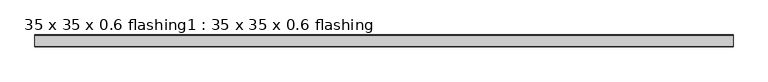
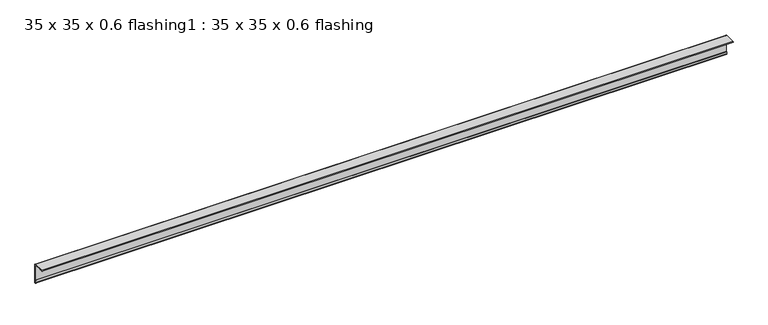
"""IFC4 building model written with IfcOpenShell, lengths in millimetres: proxy geometry, 35 x 35 x 0.6 flashing1 : 35 x 35 x 0.6 flashing."""

from ifc_helpers import new_model, si_unit, point, frame, frame_2d, origin, place, context, project, spatial, polyline, circle_curve, trimmed, segment, composite_curve, outline, extrude, source, transform, mapped, element, save


def proxy_35_x_35_x_0_6_flashing1_35_x_35_x_0_6_flashing_80ddf561(model_context):
    return source(origin(), model_context, "Body", "SweptSolid", [
        extrude(outline(composite_curve([segment(polyline([(919.6461443, 1503.3887038), (957.1461443, 1503.3887038)]), True, "CONTINUOUS"), segment(trimmed(circle_curve(frame_2d((957.1461443, 1500.8887038)), 2.5), [point((957.1461443, 1503.3887038))], [point((959.6461443, 1500.8887038))], False, "CARTESIAN"), True, "CONTINUOUS"), segment(polyline([(959.6461443, 1500.8887038), (959.6461443, 1434.3560264)]), True, "CONTINUOUS"), segment(trimmed(circle_curve(frame_2d((958.6461443, 1434.3560264)), 1.0), [point((959.6461443, 1434.3560264))], [point((957.6461443, 1434.3560264))], False, "CARTESIAN"), True, "CONTINUOUS"), segment(polyline([(957.6461443, 1434.3560264), (957.6461443, 1443.3887038), (958.6461443, 1443.3887038), (958.6461443, 1500.8887038)]), True, "CONTINUOUS"), segment(trimmed(circle_curve(frame_2d((957.1461443, 1500.8887038)), 1.5), [point((958.6461443, 1500.8887038))], [point((957.1461443, 1502.3887038))], True, "CARTESIAN"), True, "CONTINUOUS"), segment(polyline([(957.1461443, 1502.3887038), (928.6479284, 1502.3887038), (928.6479284, 1501.3887038), (919.6461443, 1501.3887038)]), True, "CONTINUOUS"), segment(trimmed(circle_curve(frame_2d((919.6461443, 1502.3887038)), 1.0), [point((919.6461443, 1501.3887038))], [point((919.6461443, 1503.3887038))], False, "CARTESIAN"), True, "CONTINUOUS")], self_intersect=False)), frame((-10619.6640929, 0.0, 0.0), z_axis=(1.0, 0.0, 0.0), x_axis=(0.0, 1.0, 0.0)), (0.0, 0.0, 1.0), 2410.6438934),
    ])


if __name__ == "__main__":
    model = new_model("IFC4")
    model_context = context("Model", 3, world=origin())
    ifc_project = project(units=[si_unit("LENGTHUNIT", "METRE", prefix="MILLI")], contexts=[model_context])
    site = spatial("IfcSite", under=ifc_project)
    building = spatial("IfcBuilding", under=site)
    placement = place(None, origin())
    proxy_35_x_35_x_0_6_flashing1_35_x_35_x_0_6_flashing_shape = proxy_35_x_35_x_0_6_flashing1_35_x_35_x_0_6_flashing_80ddf561(model_context)
    element("IfcBuildingElementProxy", 1, Name="35 x 35 x 0.6 flashing1 : 35 x 35 x 0.6 flashing", ObjectType="35 x 35 x 0.6 flashing1 : 35 x 35 x 0.6 flashing", at=placement, inside=building, context=model_context, shape_type="MappedRepresentation", body=[
        mapped(proxy_35_x_35_x_0_6_flashing1_35_x_35_x_0_6_flashing_shape, transform((0.0, 0.0, 0.0), x_axis=(1.0, 0.0, 0.0), y_axis=(0.0, 1.0, 0.0), z_axis=(0.0, 0.0, 1.0))),
    ])
    save(model, "model.ifc")
